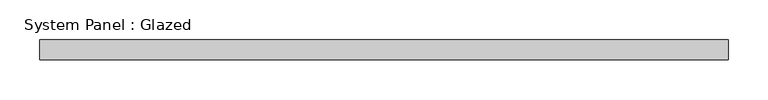
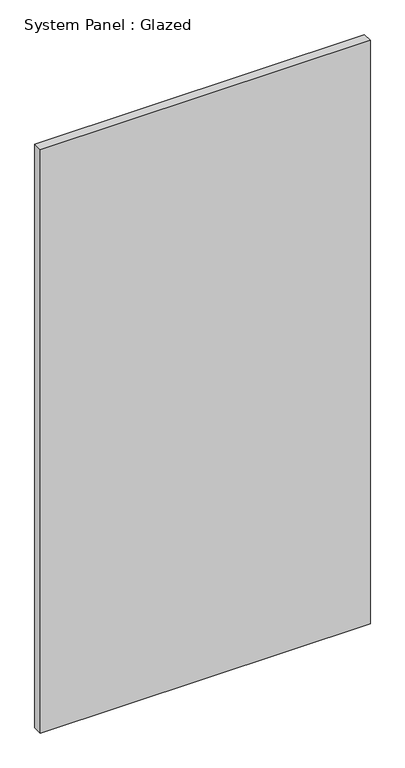
"""IFC4 building model written with IfcOpenShell, lengths in millimetres: plate geometry, System Panel : Glazed."""

from ifc_helpers import new_model, si_unit, origin, origin_with_axes, place, context, project, spatial, polyline, outline, extrude, source, transform, mapped, element, save


def system_panel_glazed_49c701e4(model_context):
    return source(origin(), model_context, "Body", "SweptSolid", [
        extrude(outline(polyline([(434.975, -12.7), (-434.975, -12.7), (-434.975, 12.7), (434.975, 12.7), (434.975, -12.7)])), origin_with_axes(), (0.0, 0.0, 1.0), 1625.6),
    ])


if __name__ == "__main__":
    model = new_model("IFC4")
    model_context = context("Model", 3, world=origin())
    ifc_project = project(units=[si_unit("LENGTHUNIT", "METRE", prefix="MILLI")], contexts=[model_context])
    site = spatial("IfcSite", under=ifc_project)
    building = spatial("IfcBuilding", under=site)
    placement = place(None, origin())
    system_panel_glazed_shape = system_panel_glazed_49c701e4(model_context)
    element("IfcPlate", 1, ObjectType="System Panel : Glazed", at=placement, inside=building, context=model_context, shape_type="MappedRepresentation", body=[
        mapped(system_panel_glazed_shape, transform((0.0, 0.0, 0.0), x_axis=(1.0, 0.0, 0.0), y_axis=(0.0, 1.0, 0.0), z_axis=(0.0, 0.0, 1.0))),
    ])
    save(model, "model.ifc")
